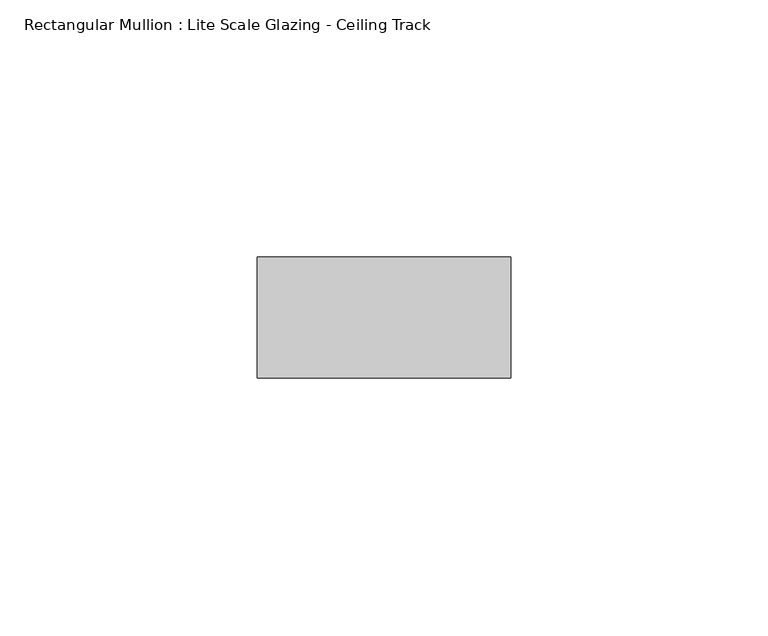
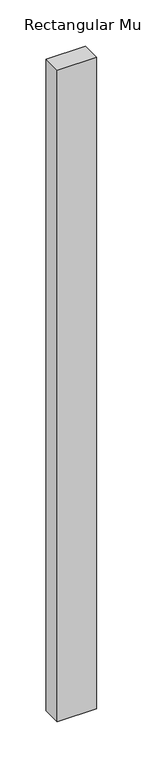
"""IFC4 building model written with IfcOpenShell, lengths in millimetres: member geometry, Rectangular Mullion : Lite Scale Glazing - Ceiling Track."""

from ifc_helpers import new_model, si_unit, frame, origin, place, context, project, spatial, polyline, outline, extrude, source, transform, mapped, element, save


def rectangular_mullion_lite_scale_glazing_ceiling_track_212be668(model_context):
    return source(origin(), model_context, "Body", "SweptSolid", [
        extrude(outline(polyline([(-49.276, -11.7474999), (-49.276, 11.7474999), (0.0, 11.7474999), (0.0, -11.7474999), (-49.276, -11.7474999)])), frame((0.0, 0.0, -857.25), z_axis=(0.0, 0.0, 1.0), x_axis=(1.0, 0.0, 0.0)), (0.0, 0.0, 1.0), 857.25),
    ])


if __name__ == "__main__":
    model = new_model("IFC4")
    model_context = context("Model", 3, world=origin())
    ifc_project = project(units=[si_unit("LENGTHUNIT", "METRE", prefix="MILLI")], contexts=[model_context])
    site = spatial("IfcSite", under=ifc_project)
    building = spatial("IfcBuilding", under=site)
    placement = place(None, origin())
    rectangular_mullion_lite_scale_glazing_ceiling_track_shape = rectangular_mullion_lite_scale_glazing_ceiling_track_212be668(model_context)
    element("IfcMember", 1, ObjectType="Rectangular Mullion : Lite Scale Glazing - Ceiling Track", at=placement, inside=building, context=model_context, shape_type="MappedRepresentation", body=[
        mapped(rectangular_mullion_lite_scale_glazing_ceiling_track_shape, transform((0.0, 0.0, 0.0), x_axis=(1.0, 0.0, 0.0), y_axis=(0.0, 1.0, 0.0), z_axis=(0.0, 0.0, 1.0))),
    ])
    save(model, "model.ifc")
